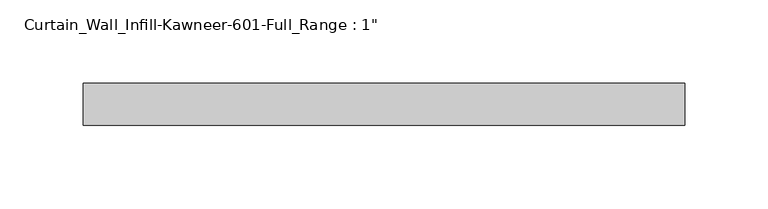
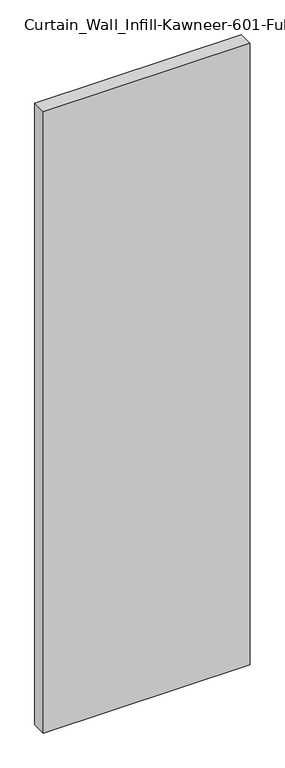
"""IFC4 building model written with IfcOpenShell, lengths in millimetres: plate geometry."""

import ifcopenshell
import ifcopenshell.guid

model = None  # the IFC model being written
_history = None  # IfcOwnerHistory: only IFC2X3 demands one
_inside = {}  # id of a spatial element -> (the spatial element, [elements in it])
_under = {}  # id of a project, library or spatial element -> (it, [spatial elements below it])
_declared = {}  # id of a project -> (the project, [libraries it declares])
_typed = {}  # id of a type object -> (the type object, [elements of that type])
_made_of = {}  # id of a material, layer set ... -> (it, [elements and type objects made of it])


def new_model(schema):
    """Start an empty IFC model of exactly this schema.

    Asked for "IFC4X3", IfcOpenShell would pick the latest addendum, in which some entities
    have other attributes; the version numbers below select the first issue.
    IFC2X3 requires an IfcOwnerHistory on every rooted entity: one is made here for all.
    """
    global model, _history
    if schema == "IFC4X3":
        model = ifcopenshell.file(schema_version=(4, 3, 0, 0))
    else:
        model = ifcopenshell.file(schema=schema)
    _inside.clear()
    _under.clear()
    _declared.clear()
    _typed.clear()
    _made_of.clear()
    _history = None
    if model.schema == "IFC2X3":
        org = make("IfcOrganization", Name="unknown")
        user = make(
            "IfcPersonAndOrganization",
            ThePerson=make("IfcPerson", FamilyName="unknown"),
            TheOrganization=org,
        )
        app = make(
            "IfcApplication",
            ApplicationDeveloper=org,
            Version="unknown",
            ApplicationFullName="unknown",
            ApplicationIdentifier="unknown",
        )
        _history = make(
            "IfcOwnerHistory",
            OwningUser=user,
            OwningApplication=app,
            ChangeAction="ADDED",
            CreationDate=0,
        )
    return model


def make(cls, **values):
    """One entity of the class cls with the attributes given. An attribute that is None is left unset."""
    return model.create_entity(
        cls, **{name: value for name, value in values.items() if value is not None}
    )


def rooted(cls, **values):
    """An entity with a GlobalId (a new one), such as an element, a storey or a relation."""
    return make(cls, GlobalId=ifcopenshell.guid.new(), OwnerHistory=_history, **values)


def si_unit(unit_type, name, prefix=None):
    """IfcSIUnit, for example si_unit("LENGTHUNIT", "METRE", prefix="MILLI")."""
    return make("IfcSIUnit", UnitType=unit_type, Prefix=prefix, Name=name)


def assignment(units):
    """IfcUnitAssignment: the units of a project."""
    return None if units is None else make("IfcUnitAssignment", Units=units)


def point(xyz):
    """IfcCartesianPoint."""
    return None if xyz is None else make("IfcCartesianPoint", Coordinates=xyz)


def direction(xyz):
    """IfcDirection."""
    return None if xyz is None else make("IfcDirection", DirectionRatios=xyz)


def frame(location, z_axis=None, x_axis=None):
    """IfcAxis2Placement3D, a coordinate frame: its origin and axes. An axis left out is left unset."""
    return make(
        "IfcAxis2Placement3D",
        Location=point(location),
        Axis=direction(z_axis),
        RefDirection=direction(x_axis),
    )


def origin():
    """The frame at (0, 0, 0) with its axes left unset."""
    return frame((0.0, 0.0, 0.0))


def origin_with_axes():
    """The frame at (0, 0, 0) with the z axis (0, 0, 1) and the x axis (1, 0, 0) written out."""
    return frame((0.0, 0.0, 0.0), z_axis=(0.0, 0.0, 1.0), x_axis=(1.0, 0.0, 0.0))


def place(relative_to, where):
    """IfcLocalPlacement: puts the frame where relative to a parent placement (None: the world)."""
    return make(
        "IfcLocalPlacement", PlacementRelTo=relative_to, RelativePlacement=where
    )


def context(
    kind, dimensions, precision=None, world=None, true_north=None, identifier=None
):
    """IfcGeometricRepresentationContext, for example the 3D "Model" context."""
    return make(
        "IfcGeometricRepresentationContext",
        ContextIdentifier=identifier,
        ContextType=kind,
        CoordinateSpaceDimension=dimensions,
        Precision=precision,
        WorldCoordinateSystem=world,
        TrueNorth=true_north,
    )


def project(units=None, contexts=None):
    """IfcProject with its units and contexts."""
    return rooted(
        "IfcProject",
        Name="project",
        RepresentationContexts=contexts,
        UnitsInContext=assignment(units),
    )


def spatial(cls, under=None, at=None, **own):
    """A site, building, storey or space (cls), placed at a placement, below another one or the project."""
    s = rooted(cls, ObjectPlacement=at, **own)
    if under is not None:
        _under.setdefault(under.id(), (under, []))[1].append(s)
    return s


def polyline(points):
    """IfcPolyline through the points."""
    return make("IfcPolyline", Points=[point(p) for p in points])


def outline(outer, holes=None, kind="AREA"):
    """IfcArbitraryClosedProfileDef: a profile drawn as a closed curve; with holes, ...WithVoids."""
    if holes is None:
        return make("IfcArbitraryClosedProfileDef", ProfileType=kind, OuterCurve=outer)
    return make(
        "IfcArbitraryProfileDefWithVoids",
        ProfileType=kind,
        OuterCurve=outer,
        InnerCurves=holes,
    )


def extrude(swept, where, along, depth):
    """IfcExtrudedAreaSolid: the profile swept, set in the frame where, extruded along a direction by depth."""
    return make(
        "IfcExtrudedAreaSolid",
        SweptArea=swept,
        Position=where,
        ExtrudedDirection=direction(along),
        Depth=depth,
    )


def shape(context_of_items, identifier, shape_type, items):
    """IfcShapeRepresentation: the items that make up one representation, for example the "Body"."""
    return make(
        "IfcShapeRepresentation",
        ContextOfItems=context_of_items,
        RepresentationIdentifier=identifier,
        RepresentationType=shape_type,
        Items=items,
    )


def source(mapping_origin, context_of_items, identifier, shape_type, items):
    """IfcRepresentationMap: a shape defined once, which mapped items show again and again."""
    return make(
        "IfcRepresentationMap",
        MappingOrigin=mapping_origin,
        MappedRepresentation=shape(context_of_items, identifier, shape_type, items),
    )


def transform(
    local_origin,
    x_axis=None,
    y_axis=None,
    z_axis=None,
    scale=None,
    scale2=None,
    scale3=None,
    uniform=True,
):
    """IfcCartesianTransformationOperator3D, or its non-uniform kind. x_axis, y_axis, z_axis: its Axis1, 2, 3."""
    if uniform:
        return make(
            "IfcCartesianTransformationOperator3D",
            Axis1=direction(x_axis),
            Axis2=direction(y_axis),
            LocalOrigin=point(local_origin),
            Scale=scale,
            Axis3=direction(z_axis),
        )
    return make(
        "IfcCartesianTransformationOperator3DnonUniform",
        Axis1=direction(x_axis),
        Axis2=direction(y_axis),
        LocalOrigin=point(local_origin),
        Scale=scale,
        Axis3=direction(z_axis),
        Scale2=scale2,
        Scale3=scale3,
    )


def mapped(mapping_source, mapping_target):
    """IfcMappedItem: shows the shape of a source again, moved by a transform."""
    return make(
        "IfcMappedItem", MappingSource=mapping_source, MappingTarget=mapping_target
    )


def made_of(thing, what):
    """Note that an element or type object is made of a material, layer set ...; save() writes the relation."""
    if what is not None:
        _made_of.setdefault(what.id(), (what, []))[1].append(thing)
    return thing


def element(
    cls,
    number,
    at=None,
    inside=None,
    cuts=None,
    type_object=None,
    material=None,
    context=None,
    identifier="Body",
    shape_type=None,
    held_by="IfcProductDefinitionShape",
    body=None,
    shapes=None,
    **own,
):
    """One element of the class cls, such as IfcWall. Its Tag is "e" and its number.

    at: its placement. inside: the storey or other place that contains it. cuts: it is an
    opening in that element (IfcRelVoidsElement). A single representation is given by context,
    identifier, shape_type and body (its items); several are given by shapes. held_by: the class
    of the entity that holds the representations. save() writes the other relations.
    """
    e = rooted(cls, Tag="e%d" % number, ObjectPlacement=at, **own)
    if body is not None:
        shapes = [shape(context, identifier, shape_type, body)]
    if shapes is not None:
        e.Representation = make(held_by, Representations=shapes)
    if inside is not None:
        _inside.setdefault(inside.id(), (inside, []))[1].append(e)
    if cuts is not None:
        rooted(
            "IfcRelVoidsElement", RelatingBuildingElement=cuts, RelatedOpeningElement=e
        )
    if type_object is not None:
        _typed.setdefault(type_object.id(), (type_object, []))[1].append(e)
    return made_of(e, material)


def aggregate(whole, parts):
    """IfcRelAggregates: a whole, such as a stair, and the parts it consists of."""
    return rooted("IfcRelAggregates", RelatingObject=whole, RelatedObjects=parts)


def save(model, path):
    """Write the relations noted so far, then the file.

    IfcRelAggregates (storeys below a building ...), IfcRelContainedInSpatialStructure (elements
    in a storey), IfcRelDefinesByType, IfcRelAssociatesMaterial and IfcRelDeclares: one each for
    every whole, place, type object, material and project.
    """
    for whole, parts in _under.values():
        aggregate(whole, parts)
    for where, things in _inside.values():
        rooted(
            "IfcRelContainedInSpatialStructure",
            RelatedElements=things,
            RelatingStructure=where,
        )
    for kind, things in _typed.values():
        rooted("IfcRelDefinesByType", RelatedObjects=things, RelatingType=kind)
    for what, things in _made_of.values():
        rooted("IfcRelAssociatesMaterial", RelatedObjects=things, RelatingMaterial=what)
    for by, libraries in _declared.values():
        rooted("IfcRelDeclares", RelatingContext=by, RelatedDefinitions=libraries)
    model.write(path)


def plate_ec8e10d7(model_context):
    return source(origin(), model_context, "Body", "SweptSolid", [
        extrude(outline(polyline([(-180.975, 12.7), (180.975, 12.7), (180.975, -12.7), (-180.975, -12.7), (-180.975, 12.7)])), origin_with_axes(), (0.0, 0.0, 1.0), 1149.35),
    ])


if __name__ == "__main__":
    model = new_model("IFC4")
    model_context = context("Model", 3, world=origin())
    ifc_project = project(units=[si_unit("LENGTHUNIT", "METRE", prefix="MILLI")], contexts=[model_context])
    site = spatial("IfcSite", under=ifc_project)
    building = spatial("IfcBuilding", under=site)
    placement = place(None, origin())
    plate_shape = plate_ec8e10d7(model_context)
    element("IfcPlate", 1, ObjectType="Curtain_Wall_Infill-Kawneer-601-Full_Range : 1\"", at=placement, inside=building, context=model_context, shape_type="MappedRepresentation", body=[
        mapped(plate_shape, transform((0.0, 0.0, 0.0), x_axis=(1.0, 0.0, 0.0), y_axis=(0.0, 1.0, 0.0), z_axis=(0.0, 0.0, 1.0))),
    ])
    save(model, "model.ifc")
